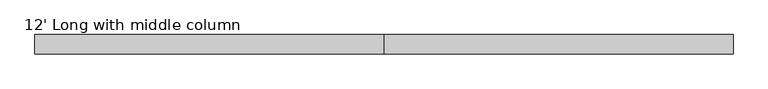
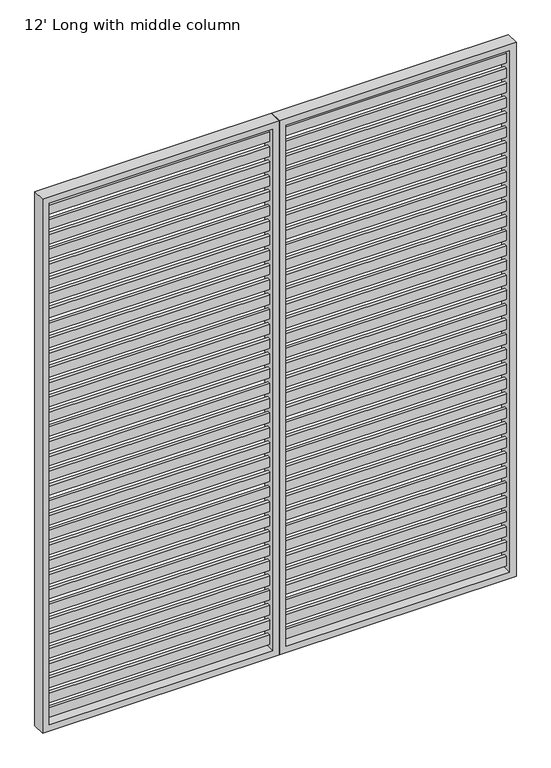
"""IFC4 building model written with IfcOpenShell, lengths in millimetres: furniture geometry, 12' Long with middle column."""

from ifc_helpers import new_model, si_unit, frame, origin, place, context, project, spatial, polyline, outline, extrude, source, transform, mapped, element, save


def furniture_12_long_with_middle_column_55355386(model_context):
    return source(origin(), model_context, "Body", "SweptSolid", [
        extrude(outline(polyline([(1803.4, -6.35), (939.8, -6.35), (939.8, 6.35), (1803.4, 6.35), (1803.4, -6.35)])), frame((0.0, 0.0, 2030.4880644), z_axis=(0.0, 0.0, 1.0), x_axis=(1.0, 0.0, 0.0)), (0.0, 0.0, 1.0), 38.0999955),
        extrude(outline(polyline([(1803.4, -6.35), (939.8, -6.35), (939.8, 6.35), (1803.4, 6.35), (1803.4, -6.35)])), frame((0.0, 0.0, 1970.1654869), z_axis=(0.0, 0.0, 1.0), x_axis=(1.0, 0.0, 0.0)), (0.0, 0.0, 1.0), 38.0999955),
        extrude(outline(polyline([(1803.4, -6.35), (939.8, -6.35), (939.8, 6.35), (1803.4, 6.35), (1803.4, -6.35)])), frame((0.0, 0.0, 1909.8429094), z_axis=(0.0, 0.0, 1.0), x_axis=(1.0, 0.0, 0.0)), (0.0, 0.0, 1.0), 38.0999955),
        extrude(outline(polyline([(1803.4, -6.35), (939.8, -6.35), (939.8, 6.35), (1803.4, 6.35), (1803.4, -6.35)])), frame((0.0, 0.0, 1849.520332), z_axis=(0.0, 0.0, 1.0), x_axis=(1.0, 0.0, 0.0)), (0.0, 0.0, 1.0), 38.0999955),
        extrude(outline(polyline([(1803.4, -6.35), (939.8, -6.35), (939.8, 6.35), (1803.4, 6.35), (1803.4, -6.35)])), frame((0.0, 0.0, 1789.1977545), z_axis=(0.0, 0.0, 1.0), x_axis=(1.0, 0.0, 0.0)), (0.0, 0.0, 1.0), 38.0999955),
        extrude(outline(polyline([(1803.4, -6.35), (939.8, -6.35), (939.8, 6.35), (1803.4, 6.35), (1803.4, -6.35)])), frame((0.0, 0.0, 1728.875177), z_axis=(0.0, 0.0, 1.0), x_axis=(1.0, 0.0, 0.0)), (0.0, 0.0, 1.0), 38.0999955),
        extrude(outline(polyline([(1803.4, -6.35), (939.8, -6.35), (939.8, 6.35), (1803.4, 6.35), (1803.4, -6.35)])), frame((0.0, 0.0, 1668.5525996), z_axis=(0.0, 0.0, 1.0), x_axis=(1.0, 0.0, 0.0)), (0.0, 0.0, 1.0), 38.0999955),
        extrude(outline(polyline([(1803.4, -6.35), (939.8, -6.35), (939.8, 6.35), (1803.4, 6.35), (1803.4, -6.35)])), frame((0.0, 0.0, 1608.2300221), z_axis=(0.0, 0.0, 1.0), x_axis=(1.0, 0.0, 0.0)), (0.0, 0.0, 1.0), 38.0999955),
        extrude(outline(polyline([(1803.4, -6.35), (939.8, -6.35), (939.8, 6.35), (1803.4, 6.35), (1803.4, -6.35)])), frame((0.0, 0.0, 1547.9074446), z_axis=(0.0, 0.0, 1.0), x_axis=(1.0, 0.0, 0.0)), (0.0, 0.0, 1.0), 38.0999955),
        extrude(outline(polyline([(1803.4, -6.35), (939.8, -6.35), (939.8, 6.35), (1803.4, 6.35), (1803.4, -6.35)])), frame((0.0, 0.0, 1487.5848672), z_axis=(0.0, 0.0, 1.0), x_axis=(1.0, 0.0, 0.0)), (0.0, 0.0, 1.0), 38.0999955),
        extrude(outline(polyline([(1803.4, -6.35), (939.8, -6.35), (939.8, 6.35), (1803.4, 6.35), (1803.4, -6.35)])), frame((0.0, 0.0, 1427.2622897), z_axis=(0.0, 0.0, 1.0), x_axis=(1.0, 0.0, 0.0)), (0.0, 0.0, 1.0), 38.0999955),
        extrude(outline(polyline([(1803.4, -6.35), (939.8, -6.35), (939.8, 6.35), (1803.4, 6.35), (1803.4, -6.35)])), frame((0.0, 0.0, 1366.9397122), z_axis=(0.0, 0.0, 1.0), x_axis=(1.0, 0.0, 0.0)), (0.0, 0.0, 1.0), 38.0999955),
        extrude(outline(polyline([(1803.4, -6.35), (939.8, -6.35), (939.8, 6.35), (1803.4, 6.35), (1803.4, -6.35)])), frame((0.0, 0.0, 1306.6171348), z_axis=(0.0, 0.0, 1.0), x_axis=(1.0, 0.0, 0.0)), (0.0, 0.0, 1.0), 38.0999955),
        extrude(outline(polyline([(1803.4, -6.35), (939.8, -6.35), (939.8, 6.35), (1803.4, 6.35), (1803.4, -6.35)])), frame((0.0, 0.0, 1246.2945573), z_axis=(0.0, 0.0, 1.0), x_axis=(1.0, 0.0, 0.0)), (0.0, 0.0, 1.0), 38.0999955),
        extrude(outline(polyline([(1803.4, -6.35), (939.8, -6.35), (939.8, 6.35), (1803.4, 6.35), (1803.4, -6.35)])), frame((0.0, 0.0, 1185.9719798), z_axis=(0.0, 0.0, 1.0), x_axis=(1.0, 0.0, 0.0)), (0.0, 0.0, 1.0), 38.0999955),
        extrude(outline(polyline([(1803.4, -6.35), (939.8, -6.35), (939.8, 6.35), (1803.4, 6.35), (1803.4, -6.35)])), frame((0.0, 0.0, 1125.6494024), z_axis=(0.0, 0.0, 1.0), x_axis=(1.0, 0.0, 0.0)), (0.0, 0.0, 1.0), 38.0999955),
        extrude(outline(polyline([(1803.4, -6.35), (939.8, -6.35), (939.8, 6.35), (1803.4, 6.35), (1803.4, -6.35)])), frame((0.0, 0.0, 1065.3268249), z_axis=(0.0, 0.0, 1.0), x_axis=(1.0, 0.0, 0.0)), (0.0, 0.0, 1.0), 38.0999955),
        extrude(outline(polyline([(1803.4, -6.35), (939.8, -6.35), (939.8, 6.35), (1803.4, 6.35), (1803.4, -6.35)])), frame((0.0, 0.0, 1005.0042474), z_axis=(0.0, 0.0, 1.0), x_axis=(1.0, 0.0, 0.0)), (0.0, 0.0, 1.0), 38.0999955),
        extrude(outline(polyline([(1803.4, -6.35), (939.8, -6.35), (939.8, 6.35), (1803.4, 6.35), (1803.4, -6.35)])), frame((0.0, 0.0, 944.68167), z_axis=(0.0, 0.0, 1.0), x_axis=(1.0, 0.0, 0.0)), (0.0, 0.0, 1.0), 38.0999955),
        extrude(outline(polyline([(1803.4, -6.35), (939.8, -6.35), (939.8, 6.35), (1803.4, 6.35), (1803.4, -6.35)])), frame((0.0, 0.0, 884.3590925), z_axis=(0.0, 0.0, 1.0), x_axis=(1.0, 0.0, 0.0)), (0.0, 0.0, 1.0), 38.0999955),
        extrude(outline(polyline([(1803.4, -6.35), (939.8, -6.35), (939.8, 6.35), (1803.4, 6.35), (1803.4, -6.35)])), frame((0.0, 0.0, 824.036515), z_axis=(0.0, 0.0, 1.0), x_axis=(1.0, 0.0, 0.0)), (0.0, 0.0, 1.0), 38.0999955),
        extrude(outline(polyline([(1803.4, -6.35), (939.8, -6.35), (939.8, 6.35), (1803.4, 6.35), (1803.4, -6.35)])), frame((0.0, 0.0, 763.7139376), z_axis=(0.0, 0.0, 1.0), x_axis=(1.0, 0.0, 0.0)), (0.0, 0.0, 1.0), 38.0999955),
        extrude(outline(polyline([(1803.4, -6.35), (939.8, -6.35), (939.8, 6.35), (1803.4, 6.35), (1803.4, -6.35)])), frame((0.0, 0.0, 703.3913601), z_axis=(0.0, 0.0, 1.0), x_axis=(1.0, 0.0, 0.0)), (0.0, 0.0, 1.0), 38.0999955),
        extrude(outline(polyline([(1803.4, -6.35), (939.8, -6.35), (939.8, 6.35), (1803.4, 6.35), (1803.4, -6.35)])), frame((0.0, 0.0, 643.0687826), z_axis=(0.0, 0.0, 1.0), x_axis=(1.0, 0.0, 0.0)), (0.0, 0.0, 1.0), 38.0999955),
        extrude(outline(polyline([(1803.4, -6.35), (939.8, -6.35), (939.8, 6.35), (1803.4, 6.35), (1803.4, -6.35)])), frame((0.0, 0.0, 582.7462052), z_axis=(0.0, 0.0, 1.0), x_axis=(1.0, 0.0, 0.0)), (0.0, 0.0, 1.0), 38.0999955),
        extrude(outline(polyline([(1803.4, -6.35), (939.8, -6.35), (939.8, 6.35), (1803.4, 6.35), (1803.4, -6.35)])), frame((0.0, 0.0, 522.4236277), z_axis=(0.0, 0.0, 1.0), x_axis=(1.0, 0.0, 0.0)), (0.0, 0.0, 1.0), 38.0999955),
        extrude(outline(polyline([(1803.4, -6.35), (939.8, -6.35), (939.8, 6.35), (1803.4, 6.35), (1803.4, -6.35)])), frame((0.0, 0.0, 462.1010502), z_axis=(0.0, 0.0, 1.0), x_axis=(1.0, 0.0, 0.0)), (0.0, 0.0, 1.0), 38.0999955),
        extrude(outline(polyline([(1803.4, -6.35), (939.8, -6.35), (939.8, 6.35), (1803.4, 6.35), (1803.4, -6.35)])), frame((0.0, 0.0, 401.7784728), z_axis=(0.0, 0.0, 1.0), x_axis=(1.0, 0.0, 0.0)), (0.0, 0.0, 1.0), 38.0999955),
        extrude(outline(polyline([(1803.4, -6.35), (939.8, -6.35), (939.8, 6.35), (1803.4, 6.35), (1803.4, -6.35)])), frame((0.0, 0.0, 341.4558953), z_axis=(0.0, 0.0, 1.0), x_axis=(1.0, 0.0, 0.0)), (0.0, 0.0, 1.0), 38.0999955),
        extrude(outline(polyline([(1803.4, -6.35), (939.8, -6.35), (939.8, 6.35), (1803.4, 6.35), (1803.4, -6.35)])), frame((0.0, 0.0, 281.1333178), z_axis=(0.0, 0.0, 1.0), x_axis=(1.0, 0.0, 0.0)), (0.0, 0.0, 1.0), 38.0999955),
        extrude(outline(polyline([(1803.4, -6.35), (939.8, -6.35), (939.8, 6.35), (1803.4, 6.35), (1803.4, -6.35)])), frame((0.0, 0.0, 220.8107404), z_axis=(0.0, 0.0, 1.0), x_axis=(1.0, 0.0, 0.0)), (0.0, 0.0, 1.0), 38.0999955),
        extrude(outline(polyline([(1803.4, -6.35), (939.8, -6.35), (939.8, 6.35), (1803.4, 6.35), (1803.4, -6.35)])), frame((0.0, 0.0, 160.4881629), z_axis=(0.0, 0.0, 1.0), x_axis=(1.0, 0.0, 0.0)), (0.0, 0.0, 1.0), 38.0999955),
        extrude(outline(polyline([(1803.4, -6.35), (939.8, -6.35), (939.8, 6.35), (1803.4, 6.35), (1803.4, -6.35)])), frame((0.0, 0.0, 100.1655854), z_axis=(0.0, 0.0, 1.0), x_axis=(1.0, 0.0, 0.0)), (0.0, 0.0, 1.0), 38.0999955),
        extrude(outline(polyline([(1803.4, -6.35), (939.8, -6.35), (939.8, 6.35), (1803.4, 6.35), (1803.4, -6.35)])), frame((0.0, 0.0, 2090.8106418), z_axis=(0.0, 0.0, 1.0), x_axis=(1.0, 0.0, 0.0)), (0.0, 0.0, 1.0), 38.0999955),
        extrude(outline(polyline([(1803.4, -6.35), (939.8, -6.35), (939.8, 6.35), (1803.4, 6.35), (1803.4, -6.35)])), frame((0.0, 0.0, 39.843008), z_axis=(0.0, 0.0, 1.0), x_axis=(1.0, 0.0, 0.0)), (0.0, 0.0, 1.0), 38.0999955),
        extrude(outline(polyline([(0.0, 1828.8), (2176.526, 1828.8), (2176.526, 914.4), (0.0, 914.4), (0.0, 1828.8)]), holes=[polyline([(2151.126, 939.8), (2151.126, 1803.4), (25.4, 1803.4), (25.4, 939.8), (2151.126, 939.8)])]), frame((0.0, -25.4, 0.0), z_axis=(0.0, 1.0, 0.0), x_axis=(0.0, 0.0, 1.0)), (0.0, 0.0, 1.0), 50.8),
        extrude(outline(polyline([(889.0, -6.35), (25.4, -6.35), (25.4, 6.35), (889.0, 6.35), (889.0, -6.35)])), frame((0.0, 0.0, 2030.4880644), z_axis=(0.0, 0.0, 1.0), x_axis=(1.0, 0.0, 0.0)), (0.0, 0.0, 1.0), 38.0999955),
        extrude(outline(polyline([(889.0, -6.35), (25.4, -6.35), (25.4, 6.35), (889.0, 6.35), (889.0, -6.35)])), frame((0.0, 0.0, 1970.1654869), z_axis=(0.0, 0.0, 1.0), x_axis=(1.0, 0.0, 0.0)), (0.0, 0.0, 1.0), 38.0999955),
        extrude(outline(polyline([(889.0, -6.35), (25.4, -6.35), (25.4, 6.35), (889.0, 6.35), (889.0, -6.35)])), frame((0.0, 0.0, 1909.8429094), z_axis=(0.0, 0.0, 1.0), x_axis=(1.0, 0.0, 0.0)), (0.0, 0.0, 1.0), 38.0999955),
        extrude(outline(polyline([(889.0, -6.35), (25.4, -6.35), (25.4, 6.35), (889.0, 6.35), (889.0, -6.35)])), frame((0.0, 0.0, 1849.520332), z_axis=(0.0, 0.0, 1.0), x_axis=(1.0, 0.0, 0.0)), (0.0, 0.0, 1.0), 38.0999955),
        extrude(outline(polyline([(889.0, -6.35), (25.4, -6.35), (25.4, 6.35), (889.0, 6.35), (889.0, -6.35)])), frame((0.0, 0.0, 1789.1977545), z_axis=(0.0, 0.0, 1.0), x_axis=(1.0, 0.0, 0.0)), (0.0, 0.0, 1.0), 38.0999955),
        extrude(outline(polyline([(889.0, -6.35), (25.4, -6.35), (25.4, 6.35), (889.0, 6.35), (889.0, -6.35)])), frame((0.0, 0.0, 1728.875177), z_axis=(0.0, 0.0, 1.0), x_axis=(1.0, 0.0, 0.0)), (0.0, 0.0, 1.0), 38.0999955),
        extrude(outline(polyline([(889.0, -6.35), (25.4, -6.35), (25.4, 6.35), (889.0, 6.35), (889.0, -6.35)])), frame((0.0, 0.0, 1668.5525996), z_axis=(0.0, 0.0, 1.0), x_axis=(1.0, 0.0, 0.0)), (0.0, 0.0, 1.0), 38.0999955),
        extrude(outline(polyline([(889.0, -6.35), (25.4, -6.35), (25.4, 6.35), (889.0, 6.35), (889.0, -6.35)])), frame((0.0, 0.0, 1608.2300221), z_axis=(0.0, 0.0, 1.0), x_axis=(1.0, 0.0, 0.0)), (0.0, 0.0, 1.0), 38.0999955),
        extrude(outline(polyline([(889.0, -6.35), (25.4, -6.35), (25.4, 6.35), (889.0, 6.35), (889.0, -6.35)])), frame((0.0, 0.0, 1547.9074446), z_axis=(0.0, 0.0, 1.0), x_axis=(1.0, 0.0, 0.0)), (0.0, 0.0, 1.0), 38.0999955),
        extrude(outline(polyline([(889.0, -6.35), (25.4, -6.35), (25.4, 6.35), (889.0, 6.35), (889.0, -6.35)])), frame((0.0, 0.0, 1487.5848672), z_axis=(0.0, 0.0, 1.0), x_axis=(1.0, 0.0, 0.0)), (0.0, 0.0, 1.0), 38.0999955),
        extrude(outline(polyline([(889.0, -6.35), (25.4, -6.35), (25.4, 6.35), (889.0, 6.35), (889.0, -6.35)])), frame((0.0, 0.0, 1427.2622897), z_axis=(0.0, 0.0, 1.0), x_axis=(1.0, 0.0, 0.0)), (0.0, 0.0, 1.0), 38.0999955),
        extrude(outline(polyline([(889.0, -6.35), (25.4, -6.35), (25.4, 6.35), (889.0, 6.35), (889.0, -6.35)])), frame((0.0, 0.0, 1366.9397122), z_axis=(0.0, 0.0, 1.0), x_axis=(1.0, 0.0, 0.0)), (0.0, 0.0, 1.0), 38.0999955),
        extrude(outline(polyline([(889.0, -6.35), (25.4, -6.35), (25.4, 6.35), (889.0, 6.35), (889.0, -6.35)])), frame((0.0, 0.0, 1306.6171348), z_axis=(0.0, 0.0, 1.0), x_axis=(1.0, 0.0, 0.0)), (0.0, 0.0, 1.0), 38.0999955),
        extrude(outline(polyline([(889.0, -6.35), (25.4, -6.35), (25.4, 6.35), (889.0, 6.35), (889.0, -6.35)])), frame((0.0, 0.0, 1246.2945573), z_axis=(0.0, 0.0, 1.0), x_axis=(1.0, 0.0, 0.0)), (0.0, 0.0, 1.0), 38.0999955),
        extrude(outline(polyline([(889.0, -6.35), (25.4, -6.35), (25.4, 6.35), (889.0, 6.35), (889.0, -6.35)])), frame((0.0, 0.0, 1185.9719798), z_axis=(0.0, 0.0, 1.0), x_axis=(1.0, 0.0, 0.0)), (0.0, 0.0, 1.0), 38.0999955),
        extrude(outline(polyline([(889.0, -6.35), (25.4, -6.35), (25.4, 6.35), (889.0, 6.35), (889.0, -6.35)])), frame((0.0, 0.0, 1125.6494024), z_axis=(0.0, 0.0, 1.0), x_axis=(1.0, 0.0, 0.0)), (0.0, 0.0, 1.0), 38.0999955),
        extrude(outline(polyline([(889.0, -6.35), (25.4, -6.35), (25.4, 6.35), (889.0, 6.35), (889.0, -6.35)])), frame((0.0, 0.0, 1065.3268249), z_axis=(0.0, 0.0, 1.0), x_axis=(1.0, 0.0, 0.0)), (0.0, 0.0, 1.0), 38.0999955),
        extrude(outline(polyline([(889.0, -6.35), (25.4, -6.35), (25.4, 6.35), (889.0, 6.35), (889.0, -6.35)])), frame((0.0, 0.0, 1005.0042474), z_axis=(0.0, 0.0, 1.0), x_axis=(1.0, 0.0, 0.0)), (0.0, 0.0, 1.0), 38.0999955),
        extrude(outline(polyline([(889.0, -6.35), (25.4, -6.35), (25.4, 6.35), (889.0, 6.35), (889.0, -6.35)])), frame((0.0, 0.0, 944.68167), z_axis=(0.0, 0.0, 1.0), x_axis=(1.0, 0.0, 0.0)), (0.0, 0.0, 1.0), 38.0999955),
        extrude(outline(polyline([(889.0, -6.35), (25.4, -6.35), (25.4, 6.35), (889.0, 6.35), (889.0, -6.35)])), frame((0.0, 0.0, 884.3590925), z_axis=(0.0, 0.0, 1.0), x_axis=(1.0, 0.0, 0.0)), (0.0, 0.0, 1.0), 38.0999955),
        extrude(outline(polyline([(889.0, -6.35), (25.4, -6.35), (25.4, 6.35), (889.0, 6.35), (889.0, -6.35)])), frame((0.0, 0.0, 824.036515), z_axis=(0.0, 0.0, 1.0), x_axis=(1.0, 0.0, 0.0)), (0.0, 0.0, 1.0), 38.0999955),
        extrude(outline(polyline([(889.0, -6.35), (25.4, -6.35), (25.4, 6.35), (889.0, 6.35), (889.0, -6.35)])), frame((0.0, 0.0, 763.7139376), z_axis=(0.0, 0.0, 1.0), x_axis=(1.0, 0.0, 0.0)), (0.0, 0.0, 1.0), 38.0999955),
        extrude(outline(polyline([(889.0, -6.35), (25.4, -6.35), (25.4, 6.35), (889.0, 6.35), (889.0, -6.35)])), frame((0.0, 0.0, 703.3913601), z_axis=(0.0, 0.0, 1.0), x_axis=(1.0, 0.0, 0.0)), (0.0, 0.0, 1.0), 38.0999955),
        extrude(outline(polyline([(889.0, -6.35), (25.4, -6.35), (25.4, 6.35), (889.0, 6.35), (889.0, -6.35)])), frame((0.0, 0.0, 643.0687826), z_axis=(0.0, 0.0, 1.0), x_axis=(1.0, 0.0, 0.0)), (0.0, 0.0, 1.0), 38.0999955),
        extrude(outline(polyline([(889.0, -6.35), (25.4, -6.35), (25.4, 6.35), (889.0, 6.35), (889.0, -6.35)])), frame((0.0, 0.0, 582.7462052), z_axis=(0.0, 0.0, 1.0), x_axis=(1.0, 0.0, 0.0)), (0.0, 0.0, 1.0), 38.0999955),
        extrude(outline(polyline([(889.0, -6.35), (25.4, -6.35), (25.4, 6.35), (889.0, 6.35), (889.0, -6.35)])), frame((0.0, 0.0, 522.4236277), z_axis=(0.0, 0.0, 1.0), x_axis=(1.0, 0.0, 0.0)), (0.0, 0.0, 1.0), 38.0999955),
        extrude(outline(polyline([(889.0, -6.35), (25.4, -6.35), (25.4, 6.35), (889.0, 6.35), (889.0, -6.35)])), frame((0.0, 0.0, 462.1010502), z_axis=(0.0, 0.0, 1.0), x_axis=(1.0, 0.0, 0.0)), (0.0, 0.0, 1.0), 38.0999955),
        extrude(outline(polyline([(889.0, -6.35), (25.4, -6.35), (25.4, 6.35), (889.0, 6.35), (889.0, -6.35)])), frame((0.0, 0.0, 401.7784728), z_axis=(0.0, 0.0, 1.0), x_axis=(1.0, 0.0, 0.0)), (0.0, 0.0, 1.0), 38.0999955),
        extrude(outline(polyline([(889.0, -6.35), (25.4, -6.35), (25.4, 6.35), (889.0, 6.35), (889.0, -6.35)])), frame((0.0, 0.0, 341.4558953), z_axis=(0.0, 0.0, 1.0), x_axis=(1.0, 0.0, 0.0)), (0.0, 0.0, 1.0), 38.0999955),
        extrude(outline(polyline([(889.0, -6.35), (25.4, -6.35), (25.4, 6.35), (889.0, 6.35), (889.0, -6.35)])), frame((0.0, 0.0, 281.1333178), z_axis=(0.0, 0.0, 1.0), x_axis=(1.0, 0.0, 0.0)), (0.0, 0.0, 1.0), 38.0999955),
        extrude(outline(polyline([(889.0, -6.35), (25.4, -6.35), (25.4, 6.35), (889.0, 6.35), (889.0, -6.35)])), frame((0.0, 0.0, 220.8107404), z_axis=(0.0, 0.0, 1.0), x_axis=(1.0, 0.0, 0.0)), (0.0, 0.0, 1.0), 38.0999955),
        extrude(outline(polyline([(889.0, -6.35), (25.4, -6.35), (25.4, 6.35), (889.0, 6.35), (889.0, -6.35)])), frame((0.0, 0.0, 160.4881629), z_axis=(0.0, 0.0, 1.0), x_axis=(1.0, 0.0, 0.0)), (0.0, 0.0, 1.0), 38.0999955),
        extrude(outline(polyline([(889.0, -6.35), (25.4, -6.35), (25.4, 6.35), (889.0, 6.35), (889.0, -6.35)])), frame((0.0, 0.0, 100.1655854), z_axis=(0.0, 0.0, 1.0), x_axis=(1.0, 0.0, 0.0)), (0.0, 0.0, 1.0), 38.0999955),
        extrude(outline(polyline([(889.0, -6.35), (25.4, -6.35), (25.4, 6.35), (889.0, 6.35), (889.0, -6.35)])), frame((0.0, 0.0, 2090.8106418), z_axis=(0.0, 0.0, 1.0), x_axis=(1.0, 0.0, 0.0)), (0.0, 0.0, 1.0), 38.0999955),
        extrude(outline(polyline([(889.0, -6.35), (25.4, -6.35), (25.4, 6.35), (889.0, 6.35), (889.0, -6.35)])), frame((0.0, 0.0, 39.843008), z_axis=(0.0, 0.0, 1.0), x_axis=(1.0, 0.0, 0.0)), (0.0, 0.0, 1.0), 38.0999955),
        extrude(outline(polyline([(0.0, 0.0), (0.0, 914.4), (2176.526, 914.4), (2176.526, 0.0), (0.0, 0.0)]), holes=[polyline([(2151.126, 889.0), (25.4, 889.0), (25.4, 25.4), (2151.126, 25.4), (2151.126, 889.0)])]), frame((0.0, -25.4, 0.0), z_axis=(0.0, 1.0, 0.0), x_axis=(0.0, 0.0, 1.0)), (0.0, 0.0, 1.0), 50.8),
    ])


if __name__ == "__main__":
    model = new_model("IFC4")
    model_context = context("Model", 3, world=origin())
    ifc_project = project(units=[si_unit("LENGTHUNIT", "METRE", prefix="MILLI")], contexts=[model_context])
    site = spatial("IfcSite", under=ifc_project)
    building = spatial("IfcBuilding", under=site)
    placement = place(None, origin())
    furniture_12_long_with_middle_column_shape = furniture_12_long_with_middle_column_55355386(model_context)
    element("IfcFurniture", 1, ObjectType="12' Long with middle column", at=placement, inside=building, context=model_context, shape_type="MappedRepresentation", body=[
        mapped(furniture_12_long_with_middle_column_shape, transform((0.0, 0.0, 0.0), x_axis=(1.0, 0.0, 0.0), y_axis=(0.0, 1.0, 0.0), z_axis=(0.0, 0.0, 1.0))),
    ])
    save(model, "model.ifc")
